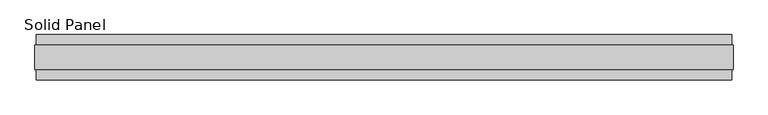
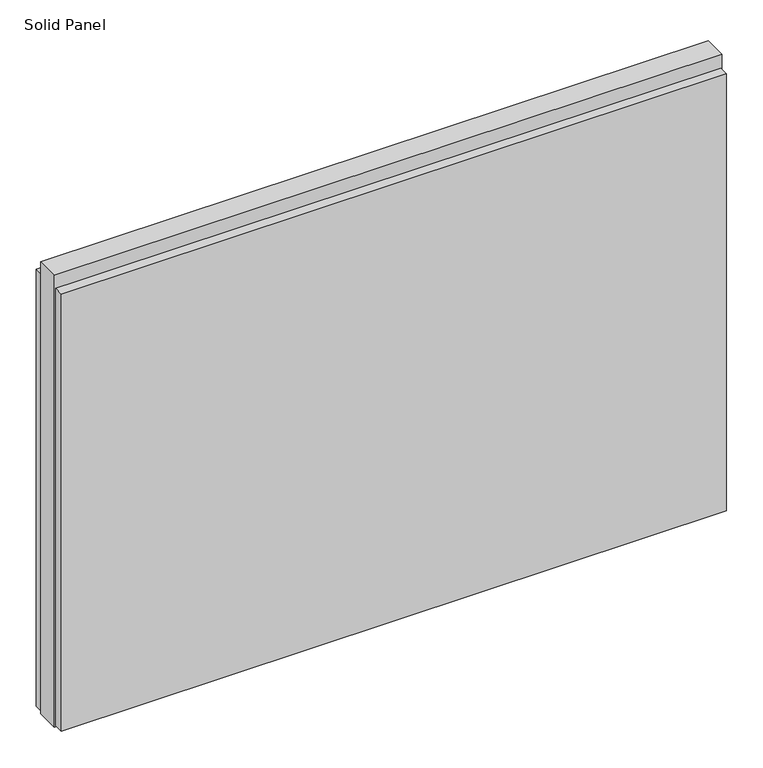
"""IFC4 building model written with IfcOpenShell, lengths in millimetres: plate geometry, Solid Panel."""

from ifc_helpers import new_model, si_unit, frame, origin, origin_with_axes, place, context, project, spatial, polyline, outline, extrude, source, transform, mapped, element, save


def solid_panel_650d2ebd(model_context):
    return source(origin(), model_context, "Body", "SweptSolid", [
        extrude(outline(polyline([(742.8515177, -48.4531867), (-742.8515177, -48.4531867), (-742.8515177, -25.9961), (742.8515177, -25.9961), (742.8515177, -48.4531867)])), frame((0.0, 0.0, 3.0099), z_axis=(0.0, 0.0, 1.0), x_axis=(1.0, 0.0, 0.0)), (0.0, 0.0, 1.0), 1031.7861),
        extrude(outline(polyline([(742.8515177, 25.9977), (-742.8515177, 25.9977), (-742.8515177, 48.4547867), (742.8515177, 48.4547867), (742.8515177, 25.9977)])), frame((0.0, 0.0, 3.0099), z_axis=(0.0, 0.0, 1.0), x_axis=(1.0, 0.0, 0.0)), (0.0, 0.0, 1.0), 1031.7861),
        extrude(outline(polyline([(745.8487177, -25.9961), (-745.8487177, -25.9961), (-745.8487177, 25.9977), (745.8487177, 25.9977), (745.8487177, -25.9961)])), origin_with_axes(), (0.0, 0.0, 1.0), 1066.8),
    ])


if __name__ == "__main__":
    model = new_model("IFC4")
    model_context = context("Model", 3, world=origin())
    ifc_project = project(units=[si_unit("LENGTHUNIT", "METRE", prefix="MILLI")], contexts=[model_context])
    site = spatial("IfcSite", under=ifc_project)
    building = spatial("IfcBuilding", under=site)
    placement = place(None, origin())
    solid_panel_shape = solid_panel_650d2ebd(model_context)
    element("IfcPlate", 1, ObjectType="Solid Panel", at=placement, inside=building, context=model_context, shape_type="MappedRepresentation", body=[
        mapped(solid_panel_shape, transform((0.0, 0.0, 0.0), x_axis=(1.0, 0.0, 0.0), y_axis=(0.0, 1.0, 0.0), z_axis=(0.0, 0.0, 1.0))),
    ])
    save(model, "model.ifc")
